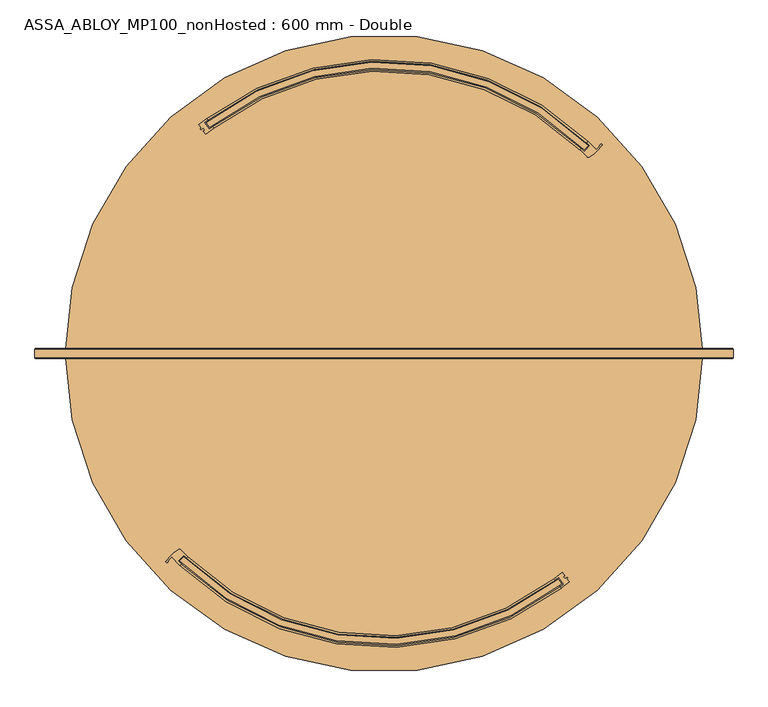
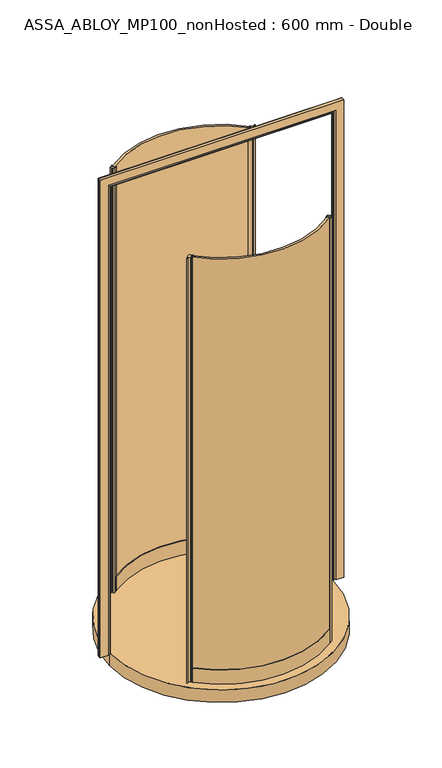
"""IFC4 building model written with IfcOpenShell, lengths in millimetres: door geometry, ASSA_ABLOY_MP100_nonHosted : 600 mm - Double."""

from ifc_helpers import new_model, si_unit, point, frame, origin, origin_with_axes, origin_2d, place, context, project, spatial, polyline, circle_curve, ellipse_curve, trimmed, segment, composite_curve, outline, extrude, source, transform, mapped, element, save
from ifc_brep_helpers import plane_surface, cylinder_surface, revolved_surface, advanced_brep


def assa_abloy_mp100_nonhosted_600_mm_double_d26ca808(model_context):
    return source(origin(), model_context, "Body", "SolidModel", [
        extrude(outline(composite_curve([segment(trimmed(circle_curve(origin_2d(), 488.5), [point((-342.4730748, -348.3452929))], [point((298.3837235, -386.7808211))], True, "CARTESIAN"), True, "CONTINUOUS"), segment(polyline([(298.3837235, -386.7808211), (304.413428, -394.7590592)]), True, "CONTINUOUS"), segment(trimmed(circle_curve(origin_2d(), 498.5), [point((304.413428, -394.7590592))], [point((-349.4107835, -355.5479635))], False, "CARTESIAN"), True, "CONTINUOUS"), segment(polyline([(-349.4107835, -355.5479635), (-342.4730748, -348.3452929)]), True, "CONTINUOUS")], self_intersect=False)), origin_with_axes(), (0.0, 0.0, 1.0), 2200.0),
        extrude(outline(composite_curve([segment(polyline([(304.904292, -375.240753), (309.0151728, -380.6800885), (307.0207092, -382.1874421), (309.1310043, -384.9796912), (313.7166643, -383.1194323), (314.3848915, -384.0036009), (312.9333684, -385.8644715), (316.9702852, -391.2059411)]), True, "CONTINUOUS"), segment(trimmed(circle_curve(origin_2d(), 503.5), [point((316.9702852, -391.2059411))], [point((303.5810209, -401.6849683))], False, "CARTESIAN"), True, "CONTINUOUS"), segment(polyline([(303.5810209, -401.6849683), (301.7721965, -399.291612)]), True, "CONTINUOUS"), segment(trimmed(circle_curve(origin_2d(), 500.5), [point((301.7721965, -399.291612))], [point((307.3271785, -395.0319675))], True, "CARTESIAN"), True, "CONTINUOUS"), segment(polyline([(307.3271785, -395.0319675), (298.8851487, -383.8618474)]), True, "CONTINUOUS"), segment(trimmed(circle_curve(origin_2d(), 486.5), [point((298.8851487, -383.8618474))], [point((293.3097732, -388.1386697))], False, "CARTESIAN"), True, "CONTINUOUS"), segment(polyline([(293.3097732, -388.1386697), (291.5221918, -385.7292595)]), True, "CONTINUOUS"), segment(trimmed(circle_curve(origin_2d(), 483.5), [point((291.5221918, -385.7292595))], [point((304.904292, -375.240753))], True, "CARTESIAN"), True, "CONTINUOUS")], self_intersect=False)), origin_with_axes(), (0.0, 0.0, 1.0), 2200.0),
        advanced_brep(
        [(-342.5060979, -345.5018646, 0.0), (-352.2074309, -355.5978376, 0.0), (-347.1960228, -360.4854227, 0.0), (-349.2746437, -362.6485998, 0.0), (-363.1208867, -348.782437, 0.0), (-370.2858249, -357.4743849, 0.0), (-372.8573749, -356.1584272, 0.0), (-350.9902422, -335.872331, 0.0), (-347.3082378, -336.3709579, 0.0), (-335.4171707, -348.2274195, 0.0), (-337.4957917, -350.3905965, 0.0), (-342.5060979, -345.5018646, 2200.0), (-337.4957917, -350.3905965, 2200.0), (-335.4171707, -348.2274195, 2200.0), (-347.3082378, -336.3709579, 2200.0), (-350.9902422, -335.872331, 2200.0), (-372.8573749, -356.1584272, 2200.0), (-370.2996309, -357.4671714, 2200.0), (-363.1208867, -348.782437, 2200.0), (-349.2746437, -362.6485998, 2200.0), (-347.1960228, -360.4854227, 2200.0), (-352.2074309, -355.5978376, 2200.0)],
        [
            (0, 1),
            (1, 2, circle_curve(frame((-20.5060967, -20.5060967, 0.0), z_axis=(0.0, 0.0, 1.0), x_axis=(-0.707106781186553, 0.7071067811865419, 0.0)), 471.5)),
            (2, 3),
            (3, 4, circle_curve(frame((-20.5060967, -20.5060967, 0.0), z_axis=(0.0, 0.0, -1.0), x_axis=(-0.707106781186553, 0.7071067811865419, 0.0)), 474.5)),
            (4, 5, circle_curve(frame((-346.1026691, -370.1099496, 0.0), z_axis=(0.0, 0.0, 1.0), x_axis=(-0.707106781186553, 0.7071067811865419, 0.0)), 27.285207)),
            (5, 6, circle_curve(frame((-371.5729186, -356.8018856, 0.0), z_axis=(0.0, 0.0, -1.0), x_axis=(-0.707106781186553, 0.7071067811865419, 0.0)), 1.4366164)),
            (6, 7, circle_curve(frame((-315.40937, -396.1550112, 0.0), z_axis=(0.0, 0.0, -1.0), x_axis=(-0.707106781186553, 0.7071067811865419, 0.0)), 70.0)),
            (7, 8, circle_curve(frame((-349.4653476, -338.4558744, 0.0), z_axis=(0.0, 0.0, -1.0), x_axis=(-0.707106781186553, 0.7071067811865419, 0.0)), 3.0)),
            (8, 9, circle_curve(frame((-20.5060967, -20.5060967, 0.0), z_axis=(0.0, 0.0, 1.0), x_axis=(-0.707106781186553, 0.7071067811865419, 0.0)), 454.5)),
            (9, 10),
            (10, 0, circle_curve(frame((-20.5060967, -20.5060967, 0.0), z_axis=(0.0, 0.0, -1.0), x_axis=(-0.707106781186553, 0.7071067811865419, 0.0)), 457.5)),
            (11, 12, circle_curve(frame((-20.5060967, -20.5060967, 2200.0), z_axis=(0.0, 0.0, 1.0), x_axis=(-0.707106781186553, 0.7071067811865419, 0.0)), 457.5)),
            (12, 13),
            (13, 14, circle_curve(frame((-20.5060967, -20.5060967, 2200.0), z_axis=(0.0, 0.0, -1.0), x_axis=(-0.707106781186553, 0.7071067811865419, 0.0)), 454.5)),
            (14, 15, circle_curve(frame((-349.4653476, -338.4558744, 2200.0), z_axis=(0.0, 0.0, 1.0), x_axis=(-0.707106781186553, 0.7071067811865419, 0.0)), 3.0)),
            (15, 16, circle_curve(frame((-315.40937, -396.1550112, 2200.0), z_axis=(0.0, 0.0, 1.0), x_axis=(-0.707106781186553, 0.7071067811865419, 0.0)), 70.0)),
            (16, 17, circle_curve(frame((-371.5729186, -356.8018856, 2200.0), z_axis=(0.0, 0.0, 1.0), x_axis=(-0.707106781186553, 0.7071067811865419, 0.0)), 1.4366164)),
            (17, 18, circle_curve(frame((-346.1026691, -370.1099496, 2200.0), z_axis=(0.0, 0.0, -1.0), x_axis=(-0.707106781186553, 0.7071067811865419, 0.0)), 27.285207)),
            (18, 19, circle_curve(frame((-20.5060967, -20.5060967, 2200.0), z_axis=(0.0, 0.0, 1.0), x_axis=(-0.707106781186553, 0.7071067811865419, 0.0)), 474.5)),
            (19, 20),
            (20, 21, circle_curve(frame((-20.5060967, -20.5060967, 2200.0), z_axis=(0.0, 0.0, -1.0), x_axis=(-0.707106781186553, 0.7071067811865419, 0.0)), 471.5)),
            (21, 11),
            (0, 11),
            (21, 1),
            (20, 2),
            (19, 3),
            (18, 4),
            (8, 14),
            (13, 9),
            (12, 10),
            (17, 5),
            (16, 6),
            (15, 7),
        ],
        [
            plane_surface(frame((-341.8861287, -341.8861287, 0.0), z_axis=(0.0, 0.0, -1.0), x_axis=(-0.707106781186542, -0.7071067811865531, 0.0))),
            plane_surface(frame((-341.8861287, -341.8861287, 2200.0), z_axis=(0.0, 0.0, 1.0), x_axis=(-0.707106781186542, -0.7071067811865531, 0.0))),
            plane_surface(frame((-342.5060979, -345.5018646, 0.0), z_axis=(0.7210590160944299, -0.6928736503208451, 0.0), x_axis=(0.0, 0.0, 1.0))),
            revolved_surface(polyline([(-353.90694402945974, 312.8947506294545, 2200.0), (-353.90694402945974, 312.8947506294545, 0.0)]), (-20.5060967, -20.5060967, 0.0), (0.0, 0.0, 1.0)),
            plane_surface(frame((-347.1960228, -360.4854227, 0.0), z_axis=(0.7210590160945622, -0.6928736503207074, 0.0), x_axis=(0.0, 0.0, 1.0))),
            cylinder_surface(frame((-20.5060967, -20.5060967, 0.0), z_axis=(0.0, 0.0, -1.0), x_axis=(-0.707106781186553, 0.7071067811865419, 0.0)), 474.5),
            revolved_surface(polyline([(-341.88612874928833, 300.8739353492833, 2200.0), (-341.88612874928833, 300.8739353492833, 0.0)]), (-20.5060967, -20.5060967, 0.0), (0.0, 0.0, 1.0)),
            plane_surface(frame((-335.4171707, -348.2274195, 0.0), z_axis=(0.721059016094641, -0.6928736503206255, 0.0), x_axis=(0.0, 0.0, 1.0))),
            cylinder_surface(frame((-20.5060967, -20.5060967, 0.0), z_axis=(0.0, 0.0, -1.0), x_axis=(-0.707106781186553, 0.7071067811865419, 0.0)), 457.5),
            revolved_surface(polyline([(-365.3962239957788, -350.81639470422147, 2200.0), (-365.3962239957788, -350.81639470422147, 0.0)]), (-346.1026691, -370.1099496, 0.0), (0.0, 0.0, 1.0)),
            cylinder_surface(frame((-371.5729186, -356.8018856, 0.0), z_axis=(0.0, 0.0, -1.0), x_axis=(-0.707106781186553, 0.7071067811865419, 0.0)), 1.4366164),
            cylinder_surface(frame((-315.40937, -396.1550112, 0.0), z_axis=(0.0, 0.0, -1.0), x_axis=(-0.707106781186553, 0.7071067811865419, 0.0)), 70.0),
            cylinder_surface(frame((-349.4653476, -338.4558744, 0.0), z_axis=(0.0, 0.0, -1.0), x_axis=(-0.707106781186553, 0.7071067811865419, 0.0)), 3.0),
        ],
        [
            (0, [[1, 2, 3, 4, 5, 6, 7, 8, 9, 10, 11]]),
            (1, [[12, 13, 14, 15, 16, 17, 18, 19, 20, 21, 22]]),
            (2, [[-1, 23, -22, 24]]),
            (3, [[-2, -24, -21, 25]]),
            (4, [[-3, -25, -20, 26]]),
            (5, [[-4, -26, -19, 27]]),
            (6, [[-9, 28, -14, 29]]),
            (7, [[-10, -29, -13, 30]]),
            (8, [[-11, -30, -12, -23]]),
            (9, [[-5, -27, -18, 31]]),
            (10, [[-6, -31, -17, 32]]),
            (11, [[-7, -32, -16, 33]]),
            (12, [[-8, -33, -15, -28]]),
        ],
    ),
        advanced_brep(
        [(-335.4210001, -348.2312489, 73.0), (-335.4210001, -348.2312489, 0.0), (-337.5022059, -350.3919391, 0.0), (-337.5022059, -350.3919391, 24.0), (-347.2144996, -360.4751604, 24.0), (-347.2144996, -360.4751604, 0.0), (-349.2957054, -362.6358507, 0.0), (-349.2957054, -362.6358507, 73.0), (-347.2144996, -360.4751604, 73.0), (-347.2144996, -360.4751604, 39.0), (-337.5022059, -350.3919391, 39.0), (-337.5022059, -350.3919391, 73.0), (291.5221918, -385.7292595, 73.0), (293.3310162, -388.1226159, 73.0), (293.3310162, -388.1226159, 39.0), (301.7721965, -399.291612, 39.0), (301.7721965, -399.291612, 73.0), (303.5810209, -401.6849683, 73.0), (303.5810209, -401.6849683, 0.0), (301.7721965, -399.291612, 0.0), (301.7721965, -399.291612, 24.0), (293.3310162, -388.1226159, 24.0), (293.3310162, -388.1226159, 0.0), (291.5221918, -385.7292595, 0.0)],
        [
            (0, 1),
            (1, 2),
            (2, 3),
            (3, 4),
            (4, 5),
            (5, 6),
            (6, 7),
            (7, 8),
            (8, 9),
            (9, 10),
            (10, 11),
            (11, 0),
            (12, 13),
            (13, 14),
            (14, 15),
            (15, 16),
            (16, 17),
            (17, 18),
            (18, 19),
            (19, 20),
            (20, 21),
            (21, 22),
            (22, 23),
            (23, 12),
            (23, 1, circle_curve(frame((0.0, 0.0, 0.0), z_axis=(0.0, 0.0, -1.0), x_axis=(-0.6937352639397908, -0.7202300907115649, 0.0)), 483.5)),
            (0, 12, circle_curve(frame((0.0, 0.0, 73.0), z_axis=(0.0, 0.0, 1.0), x_axis=(-0.6937352639397908, -0.7202300907115649, 0.0)), 483.5)),
            (22, 2, circle_curve(frame((0.0, 0.0, 0.0), z_axis=(0.0, 0.0, -1.0), x_axis=(-0.6937352639397908, -0.7202300907115649, 0.0)), 486.5)),
            (21, 3, circle_curve(frame((0.0, 0.0, 24.0), z_axis=(0.0, 0.0, -1.0), x_axis=(-0.6937352639397908, -0.7202300907115649, 0.0)), 486.5)),
            (20, 4, circle_curve(frame((0.0, 0.0, 24.0), z_axis=(0.0, 0.0, -1.0), x_axis=(-0.6937352639397908, -0.7202300907115649, 0.0)), 500.5)),
            (19, 5, circle_curve(frame((0.0, 0.0, 0.0), z_axis=(0.0, 0.0, -1.0), x_axis=(-0.6937352639397908, -0.7202300907115649, 0.0)), 500.5)),
            (18, 6, circle_curve(frame((0.0, 0.0, 0.0), z_axis=(0.0, 0.0, -1.0), x_axis=(-0.6937352639397908, -0.7202300907115649, 0.0)), 503.5)),
            (17, 7, circle_curve(frame((0.0, 0.0, 73.0), z_axis=(0.0, 0.0, -1.0), x_axis=(-0.6937352639397908, -0.7202300907115649, 0.0)), 503.5)),
            (16, 8, circle_curve(frame((0.0, 0.0, 73.0), z_axis=(0.0, 0.0, -1.0), x_axis=(-0.6937352639397908, -0.7202300907115649, 0.0)), 500.5)),
            (15, 9, circle_curve(frame((0.0, 0.0, 39.0), z_axis=(0.0, 0.0, -1.0), x_axis=(-0.6937352639397908, -0.7202300907115649, 0.0)), 500.5)),
            (14, 10, circle_curve(frame((0.0, 0.0, 39.0), z_axis=(0.0, 0.0, -1.0), x_axis=(-0.6937352639397908, -0.7202300907115649, 0.0)), 486.5)),
            (13, 11, circle_curve(frame((0.0, 0.0, 73.0), z_axis=(0.0, 0.0, -1.0), x_axis=(-0.6937352639397908, -0.7202300907115649, 0.0)), 486.5)),
        ],
        [
            plane_surface(frame((-335.4210001, -348.2312489, 0.0), z_axis=(-0.7202300907115647, 0.6937352639397908, 0.0), x_axis=(0.0, 0.0, 1.0))),
            plane_surface(frame((291.5221918, -385.7292595, 0.0), z_axis=(0.797785438564522, 0.602941451564257, 0.0), x_axis=(0.0, 0.0, 1.0))),
            revolved_surface(polyline([(-335.42100011488884, -348.2312488590416, 73.00000000000003), (-335.42100011488884, -348.2312488590416, 0.0)]), (0.0, 0.0, 0.0), (0.0, 0.0, 1.0000000000000002)),
            plane_surface(frame((0.0, 0.0, 0.0), z_axis=(0.0, 0.0, -1.0), x_axis=(-0.6937352639397908, -0.7202300907115649, 0.0))),
            cylinder_surface(frame((0.0, 0.0, 0.0), z_axis=(0.0, 0.0, 1.0000000000000002), x_axis=(-0.6937352639397908, -0.7202300907115649, 0.0)), 486.5),
            plane_surface(frame((0.0, 0.0, 24.0), z_axis=(0.0, 0.0, -1.0), x_axis=(-0.6937352639397908, -0.7202300907115649, 0.0))),
            revolved_surface(polyline([(-347.21449960186527, -360.4751604011382, 24.000000000000014), (-347.21449960186527, -360.4751604011382, 0.0)]), (0.0, 0.0, 0.0), (0.0, 0.0, 1.0000000000000002)),
            cylinder_surface(frame((0.0, 0.0, 0.0), z_axis=(0.0, 0.0, 1.0000000000000002), x_axis=(-0.6937352639397908, -0.7202300907115649, 0.0)), 503.5),
            plane_surface(frame((0.0, 0.0, 73.0), z_axis=(0.0, 0.0, 1.0), x_axis=(-0.6937352639397908, -0.7202300907115649, 0.0))),
            revolved_surface(polyline([(-347.21449960186527, -360.4751604011382, 73.00000000000003), (-347.21449960186527, -360.4751604011382, 39.000000000000014)]), (0.0, 0.0, 0.0), (0.0, 0.0, 1.0000000000000002)),
            plane_surface(frame((0.0, 0.0, 39.0), z_axis=(0.0, 0.0, 1.0), x_axis=(-0.6937352639397908, -0.7202300907115649, 0.0))),
        ],
        [
            (0, [[1, 2, 3, 4, 5, 6, 7, 8, 9, 10, 11, 12]]),
            (1, [[13, 14, 15, 16, 17, 18, 19, 20, 21, 22, 23, 24]]),
            (2, [[25, -1, 26, -24]]),
            (3, [[27, -2, -25, -23]]),
            (4, [[28, -3, -27, -22]]),
            (5, [[29, -4, -28, -21]]),
            (6, [[30, -5, -29, -20]]),
            (3, [[31, -6, -30, -19]]),
            (7, [[32, -7, -31, -18]]),
            (8, [[33, -8, -32, -17]]),
            (9, [[34, -9, -33, -16]]),
            (10, [[35, -10, -34, -15]]),
            (4, [[36, -11, -35, -14]]),
            (8, [[-26, -12, -36, -13]]),
        ],
    ),
        extrude(outline(composite_curve([segment(trimmed(circle_curve(origin_2d(), 488.5), [point((342.4730748, 348.3452929))], [point((-298.3837235, 386.7808211))], True, "CARTESIAN"), True, "CONTINUOUS"), segment(polyline([(-298.3837235, 386.7808211), (-304.413428, 394.7590592)]), True, "CONTINUOUS"), segment(trimmed(circle_curve(origin_2d(), 498.5), [point((-304.413428, 394.7590592))], [point((349.4107835, 355.5479635))], False, "CARTESIAN"), True, "CONTINUOUS"), segment(polyline([(349.4107835, 355.5479635), (342.4730748, 348.3452929)]), True, "CONTINUOUS")], self_intersect=False)), origin_with_axes(), (0.0, 0.0, 1.0), 2200.0),
        extrude(outline(composite_curve([segment(polyline([(-304.904292, 375.240753), (-309.0151728, 380.6800885), (-307.0207092, 382.1874421), (-309.1310043, 384.9796912), (-313.7166643, 383.1194323), (-314.3848915, 384.0036009), (-312.9333684, 385.8644715), (-316.9702852, 391.2059411)]), True, "CONTINUOUS"), segment(trimmed(circle_curve(origin_2d(), 503.5), [point((-316.9702852, 391.2059411))], [point((-303.5810209, 401.6849683))], False, "CARTESIAN"), True, "CONTINUOUS"), segment(polyline([(-303.5810209, 401.6849683), (-301.7721965, 399.291612)]), True, "CONTINUOUS"), segment(trimmed(circle_curve(origin_2d(), 500.5), [point((-301.7721965, 399.291612))], [point((-307.3271785, 395.0319675))], True, "CARTESIAN"), True, "CONTINUOUS"), segment(polyline([(-307.3271785, 395.0319675), (-298.8851487, 383.8618474)]), True, "CONTINUOUS"), segment(trimmed(circle_curve(origin_2d(), 486.5), [point((-298.8851487, 383.8618474))], [point((-293.3097732, 388.1386697))], False, "CARTESIAN"), True, "CONTINUOUS"), segment(polyline([(-293.3097732, 388.1386697), (-291.5221918, 385.7292595)]), True, "CONTINUOUS"), segment(trimmed(circle_curve(origin_2d(), 483.5), [point((-291.5221918, 385.7292595))], [point((-304.904292, 375.240753))], True, "CARTESIAN"), True, "CONTINUOUS")], self_intersect=False)), origin_with_axes(), (0.0, 0.0, 1.0), 2200.0),
        advanced_brep(
        [(342.5060979, 345.5018646, 0.0), (352.2074309, 355.5978376, 0.0), (347.1960228, 360.4854227, 0.0), (349.2746437, 362.6485998, 0.0), (363.1208867, 348.782437, 0.0), (370.2858249, 357.4743849, 0.0), (372.8573749, 356.1584272, 0.0), (350.9902422, 335.872331, 0.0), (347.3082378, 336.3709579, 0.0), (335.4171707, 348.2274195, 0.0), (337.4957917, 350.3905965, 0.0), (342.5060979, 345.5018646, 2200.0), (337.4957917, 350.3905965, 2200.0), (335.4171707, 348.2274195, 2200.0), (347.3082378, 336.3709579, 2200.0), (350.9902422, 335.872331, 2200.0), (372.8573749, 356.1584272, 2200.0), (370.2996309, 357.4671714, 2200.0), (363.1208867, 348.782437, 2200.0), (349.2746437, 362.6485998, 2200.0), (347.1960228, 360.4854227, 2200.0), (352.2074309, 355.5978376, 2200.0)],
        [
            (0, 1),
            (1, 2, circle_curve(frame((20.5060967, 20.5060967, 0.0), z_axis=(0.0, 0.0, 1.0), x_axis=(0.7071067811865529, -0.7071067811865411, 0.0)), 471.5)),
            (2, 3),
            (3, 4, circle_curve(frame((20.5060967, 20.5060967, 0.0), z_axis=(0.0, 0.0, -1.0), x_axis=(0.7071067811865529, -0.7071067811865411, 0.0)), 474.5)),
            (4, 5, circle_curve(frame((346.1026691, 370.1099496, 0.0), z_axis=(0.0, 0.0, 1.0), x_axis=(0.7071067811865529, -0.7071067811865411, 0.0)), 27.285207)),
            (5, 6, circle_curve(frame((371.5729186, 356.8018856, 0.0), z_axis=(0.0, 0.0, -1.0), x_axis=(0.7071067811865529, -0.7071067811865411, 0.0)), 1.4366164)),
            (6, 7, circle_curve(frame((315.40937, 396.1550112, 0.0), z_axis=(0.0, 0.0, -1.0), x_axis=(0.7071067811865529, -0.7071067811865411, 0.0)), 70.0)),
            (7, 8, circle_curve(frame((349.4653476, 338.4558744, 0.0), z_axis=(0.0, 0.0, -1.0), x_axis=(0.7071067811865529, -0.7071067811865411, 0.0)), 3.0)),
            (8, 9, circle_curve(frame((20.5060967, 20.5060967, 0.0), z_axis=(0.0, 0.0, 1.0), x_axis=(0.7071067811865529, -0.7071067811865411, 0.0)), 454.5)),
            (9, 10),
            (10, 0, circle_curve(frame((20.5060967, 20.5060967, 0.0), z_axis=(0.0, 0.0, -1.0), x_axis=(0.7071067811865529, -0.7071067811865411, 0.0)), 457.5)),
            (11, 12, circle_curve(frame((20.5060967, 20.5060967, 2200.0), z_axis=(0.0, 0.0, 1.0), x_axis=(0.7071067811865529, -0.7071067811865411, 0.0)), 457.5)),
            (12, 13),
            (13, 14, circle_curve(frame((20.5060967, 20.5060967, 2200.0), z_axis=(0.0, 0.0, -1.0), x_axis=(0.7071067811865529, -0.7071067811865411, 0.0)), 454.5)),
            (14, 15, circle_curve(frame((349.4653476, 338.4558744, 2200.0), z_axis=(0.0, 0.0, 1.0), x_axis=(0.7071067811865529, -0.7071067811865411, 0.0)), 3.0)),
            (15, 16, circle_curve(frame((315.40937, 396.1550112, 2200.0), z_axis=(0.0, 0.0, 1.0), x_axis=(0.7071067811865529, -0.7071067811865411, 0.0)), 70.0)),
            (16, 17, circle_curve(frame((371.5729186, 356.8018856, 2200.0), z_axis=(0.0, 0.0, 1.0), x_axis=(0.7071067811865529, -0.7071067811865411, 0.0)), 1.4366164)),
            (17, 18, circle_curve(frame((346.1026691, 370.1099496, 2200.0), z_axis=(0.0, 0.0, -1.0), x_axis=(0.7071067811865529, -0.7071067811865411, 0.0)), 27.285207)),
            (18, 19, circle_curve(frame((20.5060967, 20.5060967, 2200.0), z_axis=(0.0, 0.0, 1.0), x_axis=(0.7071067811865529, -0.7071067811865411, 0.0)), 474.5)),
            (19, 20),
            (20, 21, circle_curve(frame((20.5060967, 20.5060967, 2200.0), z_axis=(0.0, 0.0, -1.0), x_axis=(0.7071067811865529, -0.7071067811865411, 0.0)), 471.5)),
            (21, 11),
            (0, 11),
            (21, 1),
            (20, 2),
            (19, 3),
            (18, 4),
            (8, 14),
            (13, 9),
            (12, 10),
            (17, 5),
            (16, 6),
            (15, 7),
        ],
        [
            plane_surface(frame((341.8861287, 341.8861287, 0.0), z_axis=(0.0, 0.0, -1.0000000000000002), x_axis=(0.7071067811865417, 0.7071067811865535, 0.0))),
            plane_surface(frame((341.8861287, 341.8861287, 2200.0), z_axis=(0.0, 0.0, 1.0000000000000002), x_axis=(0.7071067811865417, 0.7071067811865535, 0.0))),
            plane_surface(frame((342.5060979, 345.5018646, 0.0), z_axis=(-0.7210590160944301, 0.6928736503208448, 0.0), x_axis=(0.0, 0.0, 1.0))),
            revolved_surface(polyline([(353.9069440294597, -312.89475062945417, 2200.0), (353.9069440294597, -312.89475062945417, 0.0)]), (20.5060967, 20.5060967, 0.0), (0.0, 0.0, 1.0)),
            plane_surface(frame((347.1960228, 360.4854227, 0.0), z_axis=(-0.7210590160945626, 0.692873650320707, 0.0), x_axis=(0.0, 0.0, 1.0))),
            cylinder_surface(frame((20.5060967, 20.5060967, 0.0), z_axis=(0.0, 0.0, -1.0), x_axis=(0.7071067811865529, -0.7071067811865411, 0.0)), 474.5),
            revolved_surface(polyline([(341.8861287492883, -300.87393534928293, 2200.0), (341.8861287492883, -300.87393534928293, 0.0)]), (20.5060967, 20.5060967, 0.0), (0.0, 0.0, 1.0)),
            plane_surface(frame((335.4171707, 348.2274195, 0.0), z_axis=(-0.7210590160946412, 0.6928736503206251, 0.0), x_axis=(0.0, 0.0, 1.0))),
            cylinder_surface(frame((20.5060967, 20.5060967, 0.0), z_axis=(0.0, 0.0, -1.0), x_axis=(0.7071067811865529, -0.7071067811865411, 0.0)), 457.5),
            revolved_surface(polyline([(365.3962239957788, 350.8163947042215, 2200.0), (365.3962239957788, 350.8163947042215, 0.0)]), (346.1026691, 370.1099496, 0.0), (0.0, 0.0, 1.0)),
            cylinder_surface(frame((371.5729186, 356.8018856, 0.0), z_axis=(0.0, 0.0, -1.0), x_axis=(0.7071067811865529, -0.7071067811865411, 0.0)), 1.4366164),
            cylinder_surface(frame((315.40937, 396.1550112, 0.0), z_axis=(0.0, 0.0, -1.0), x_axis=(0.7071067811865529, -0.7071067811865411, 0.0)), 70.0),
            cylinder_surface(frame((349.4653476, 338.4558744, 0.0), z_axis=(0.0, 0.0, -1.0), x_axis=(0.7071067811865529, -0.7071067811865411, 0.0)), 3.0),
        ],
        [
            (0, [[1, 2, 3, 4, 5, 6, 7, 8, 9, 10, 11]]),
            (1, [[12, 13, 14, 15, 16, 17, 18, 19, 20, 21, 22]]),
            (2, [[-1, 23, -22, 24]]),
            (3, [[-2, -24, -21, 25]]),
            (4, [[-3, -25, -20, 26]]),
            (5, [[-4, -26, -19, 27]]),
            (6, [[-9, 28, -14, 29]]),
            (7, [[-10, -29, -13, 30]]),
            (8, [[-11, -30, -12, -23]]),
            (9, [[-5, -27, -18, 31]]),
            (10, [[-6, -31, -17, 32]]),
            (11, [[-7, -32, -16, 33]]),
            (12, [[-8, -33, -15, -28]]),
        ],
    ),
        advanced_brep(
        [(335.4210001, 348.2312489, 73.0), (335.4210001, 348.2312489, 0.0), (337.5022059, 350.3919391, 0.0), (337.5022059, 350.3919391, 24.0), (347.2144996, 360.4751604, 24.0), (347.2144996, 360.4751604, 0.0), (349.2957054, 362.6358507, 0.0), (349.2957054, 362.6358507, 73.0), (347.2144996, 360.4751604, 73.0), (347.2144996, 360.4751604, 39.0), (337.5022059, 350.3919391, 39.0), (337.5022059, 350.3919391, 73.0), (-291.5221918, 385.7292595, 73.0), (-293.3310162, 388.1226159, 73.0), (-293.3310162, 388.1226159, 39.0), (-301.7721965, 399.291612, 39.0), (-301.7721965, 399.291612, 73.0), (-303.5810209, 401.6849683, 73.0), (-303.5810209, 401.6849683, 0.0), (-301.7721965, 399.291612, 0.0), (-301.7721965, 399.291612, 24.0), (-293.3310162, 388.1226159, 24.0), (-293.3310162, 388.1226159, 0.0), (-291.5221918, 385.7292595, 0.0)],
        [
            (0, 1),
            (1, 2),
            (2, 3),
            (3, 4),
            (4, 5),
            (5, 6),
            (6, 7),
            (7, 8),
            (8, 9),
            (9, 10),
            (10, 11),
            (11, 0),
            (12, 13),
            (13, 14),
            (14, 15),
            (15, 16),
            (16, 17),
            (17, 18),
            (18, 19),
            (19, 20),
            (20, 21),
            (21, 22),
            (22, 23),
            (23, 12),
            (23, 1, circle_curve(frame((0.0, 0.0, 0.0), z_axis=(0.0, 0.0, -1.0), x_axis=(0.69373526393979, 0.7202300907115646, 0.0)), 483.5)),
            (0, 12, circle_curve(frame((0.0, 0.0, 73.0), z_axis=(0.0, 0.0, 1.0), x_axis=(0.69373526393979, 0.7202300907115646, 0.0)), 483.5)),
            (22, 2, circle_curve(frame((0.0, 0.0, 0.0), z_axis=(0.0, 0.0, -1.0), x_axis=(0.69373526393979, 0.7202300907115646, 0.0)), 486.5)),
            (21, 3, circle_curve(frame((0.0, 0.0, 24.0), z_axis=(0.0, 0.0, -1.0), x_axis=(0.69373526393979, 0.7202300907115646, 0.0)), 486.5)),
            (20, 4, circle_curve(frame((0.0, 0.0, 24.0), z_axis=(0.0, 0.0, -1.0), x_axis=(0.69373526393979, 0.7202300907115646, 0.0)), 500.5)),
            (19, 5, circle_curve(frame((0.0, 0.0, 0.0), z_axis=(0.0, 0.0, -1.0), x_axis=(0.69373526393979, 0.7202300907115646, 0.0)), 500.5)),
            (18, 6, circle_curve(frame((0.0, 0.0, 0.0), z_axis=(0.0, 0.0, -1.0), x_axis=(0.69373526393979, 0.7202300907115646, 0.0)), 503.5)),
            (17, 7, circle_curve(frame((0.0, 0.0, 73.0), z_axis=(0.0, 0.0, -1.0), x_axis=(0.69373526393979, 0.7202300907115646, 0.0)), 503.5)),
            (16, 8, circle_curve(frame((0.0, 0.0, 73.0), z_axis=(0.0, 0.0, -1.0), x_axis=(0.69373526393979, 0.7202300907115646, 0.0)), 500.5)),
            (15, 9, circle_curve(frame((0.0, 0.0, 39.0), z_axis=(0.0, 0.0, -1.0), x_axis=(0.69373526393979, 0.7202300907115646, 0.0)), 500.5)),
            (14, 10, circle_curve(frame((0.0, 0.0, 39.0), z_axis=(0.0, 0.0, -1.0), x_axis=(0.69373526393979, 0.7202300907115646, 0.0)), 486.5)),
            (13, 11, circle_curve(frame((0.0, 0.0, 73.0), z_axis=(0.0, 0.0, -1.0), x_axis=(0.69373526393979, 0.7202300907115646, 0.0)), 486.5)),
        ],
        [
            plane_surface(frame((335.4210001, 348.2312489, 0.0), z_axis=(0.7202300907115651, -0.6937352639397905, 0.0), x_axis=(0.0, 0.0, 1.0))),
            plane_surface(frame((-291.5221918, 385.7292595, 0.0), z_axis=(-0.7977854385645217, -0.6029414515642575, 0.0), x_axis=(0.0, 0.0, 1.0))),
            revolved_surface(polyline([(335.4210001148885, 348.2312488590415, 73.00000000000003), (335.4210001148885, 348.2312488590415, 0.0)]), (0.0, 0.0, 0.0), (0.0, 0.0, 1.0000000000000002)),
            plane_surface(frame((0.0, 0.0, 0.0), z_axis=(0.0, 0.0, -1.0), x_axis=(0.6937352639397905, 0.7202300907115651, 0.0))),
            cylinder_surface(frame((0.0, 0.0, 0.0), z_axis=(0.0, 0.0, 1.0000000000000002), x_axis=(0.69373526393979, 0.7202300907115646, 0.0)), 486.5),
            plane_surface(frame((0.0, 0.0, 24.0), z_axis=(0.0, 0.0, -1.0), x_axis=(0.6937352639397905, 0.7202300907115651, 0.0))),
            revolved_surface(polyline([(347.21449960186493, 360.4751604011381, 24.000000000000014), (347.21449960186493, 360.4751604011381, 0.0)]), (0.0, 0.0, 0.0), (0.0, 0.0, 1.0000000000000002)),
            cylinder_surface(frame((0.0, 0.0, 0.0), z_axis=(0.0, 0.0, 1.0000000000000002), x_axis=(0.69373526393979, 0.7202300907115646, 0.0)), 503.5),
            plane_surface(frame((0.0, 0.0, 73.0), z_axis=(0.0, 0.0, 1.0), x_axis=(0.6937352639397905, 0.7202300907115651, 0.0))),
            revolved_surface(polyline([(347.21449960186493, 360.4751604011381, 73.00000000000003), (347.21449960186493, 360.4751604011381, 39.000000000000014)]), (0.0, 0.0, 0.0), (0.0, 0.0, 1.0000000000000002)),
            plane_surface(frame((0.0, 0.0, 39.0), z_axis=(0.0, 0.0, 1.0), x_axis=(0.6937352639397905, 0.7202300907115651, 0.0))),
        ],
        [
            (0, [[1, 2, 3, 4, 5, 6, 7, 8, 9, 10, 11, 12]]),
            (1, [[13, 14, 15, 16, 17, 18, 19, 20, 21, 22, 23, 24]]),
            (2, [[25, -1, 26, -24]]),
            (3, [[27, -2, -25, -23]]),
            (4, [[28, -3, -27, -22]]),
            (5, [[29, -4, -28, -21]]),
            (6, [[30, -5, -29, -20]]),
            (3, [[31, -6, -30, -19]]),
            (7, [[32, -7, -31, -18]]),
            (8, [[33, -8, -32, -17]]),
            (9, [[34, -9, -33, -16]]),
            (10, [[35, -10, -34, -15]]),
            (4, [[36, -11, -35, -14]]),
            (8, [[-26, -12, -36, -13]]),
        ],
    ),
        extrude(outline(composite_curve([segment(trimmed(circle_curve(origin_2d(), 545.0), [point((-545.0, 0.0))], [point((545.0, 0.0))], False, "CARTESIAN"), True, "CONTINUOUS"), segment(trimmed(circle_curve(origin_2d(), 545.0), [point((545.0, 0.0))], [point((-545.0, 0.0))], False, "CARTESIAN"), True, "CONTINUOUS")], self_intersect=False)), frame((0.0, 0.0, -65.0), z_axis=(0.0, 0.0, 1.0), x_axis=(1.0, 0.0, 0.0)), (0.0, 0.0, 1.0), 65.0),
        advanced_brep(
        [(545.9, 6.0, 0.0), (548.1980762, 6.0, 0.0), (549.0980762, 5.1, 0.0), (549.0980762, -5.1, 0.0), (548.1980762, -6.0, 0.0), (545.9, -6.0, 0.0), (545.0, -5.1, 0.0), (545.0, 5.1, 0.0), (-545.9, 6.0, 0.0), (-545.0, 5.1, 0.0), (-545.0, -5.1, 0.0), (-545.9, -6.0, 0.0), (-548.1980762, -6.0, 0.0), (-549.0980762, -5.1, 0.0), (-549.0980762, 5.1, 0.0), (-548.1980762, 6.0, 0.0), (545.9, 6.0, 2421.8), (-545.9, 6.0, 2421.8), (-548.1980762, 6.0, 2424.0980762), (548.1980762, 6.0, 2424.0980762), (549.0980762, 5.1, 2424.9980762), (549.0980762, -5.1, 2424.9980762), (548.1980762, -6.0, 2424.0980762), (-548.1980762, -6.0, 2424.0980762), (-545.9, -6.0, 2421.8), (545.9, -6.0, 2421.8), (545.0, -5.1, 2420.9), (545.0, 5.1, 2420.9), (-549.0980762, 5.1, 2424.9980762), (-549.0980762, -5.1, 2424.9980762), (-545.0, -5.1, 2420.9), (-545.0, 5.1, 2420.9)],
        [
            (0, 1),
            (1, 2, circle_curve(frame((548.1980762, 5.1, 0.0), z_axis=(0.0, 0.0, -1.0), x_axis=(-1.0, 0.0, 0.0)), 0.9)),
            (2, 3),
            (3, 4, circle_curve(frame((548.1980762, -5.1, 0.0), z_axis=(0.0, 0.0, -1.0), x_axis=(-1.0, 0.0, 0.0)), 0.9)),
            (4, 5),
            (5, 6, circle_curve(frame((545.9, -5.1, 0.0), z_axis=(0.0, 0.0, -1.0), x_axis=(-1.0, 0.0, 0.0)), 0.9)),
            (6, 7),
            (7, 0, circle_curve(frame((545.9, 5.1, 0.0), z_axis=(0.0, 0.0, -1.0), x_axis=(-1.0, 0.0, 0.0)), 0.9)),
            (8, 9, circle_curve(frame((-545.9, 5.1, 0.0), z_axis=(0.0, 0.0, -1.0), x_axis=(1.0, 0.0, 0.0)), 0.9)),
            (9, 10),
            (10, 11, circle_curve(frame((-545.9, -5.1, 0.0), z_axis=(0.0, 0.0, -1.0), x_axis=(1.0, 0.0, 0.0)), 0.9)),
            (11, 12),
            (12, 13, circle_curve(frame((-548.1980762, -5.1, 0.0), z_axis=(0.0, 0.0, -1.0), x_axis=(1.0, 0.0, 0.0)), 0.9)),
            (13, 14),
            (14, 15, circle_curve(frame((-548.1980762, 5.1, 0.0), z_axis=(0.0, 0.0, -1.0), x_axis=(1.0, 0.0, 0.0)), 0.9)),
            (15, 8),
            (0, 16),
            (16, 17),
            (17, 8),
            (15, 18),
            (18, 19),
            (19, 1),
            (19, 20, ellipse_curve(frame((548.1980762, 5.1, 2424.0980762), z_axis=(0.7071067811865475, 0.0, -0.7071067811865475), x_axis=(-0.7071067811865474, 0.0, -0.7071067811865476)), 1.2727922, 0.9)),
            (20, 2),
            (20, 21),
            (21, 3),
            (21, 22, ellipse_curve(frame((548.1980762, -5.1, 2424.0980762), z_axis=(0.7071067811865475, 0.0, -0.7071067811865475), x_axis=(-0.7071067811865474, 0.0, -0.7071067811865476)), 1.2727922, 0.9)),
            (22, 4),
            (22, 23),
            (23, 12),
            (11, 24),
            (24, 25),
            (25, 5),
            (25, 26, ellipse_curve(frame((545.9, -5.1, 2421.8), z_axis=(0.7071067811865475, 0.0, -0.7071067811865475), x_axis=(-0.7071067811865474, 0.0, -0.7071067811865476)), 1.2727922, 0.9)),
            (26, 6),
            (26, 27),
            (27, 7),
            (27, 16, ellipse_curve(frame((545.9, 5.1, 2421.8), z_axis=(0.7071067811865475, 0.0, -0.7071067811865475), x_axis=(-0.7071067811865474, 0.0, -0.7071067811865476)), 1.2727922, 0.9)),
            (18, 28, ellipse_curve(frame((-548.1980762, 5.1, 2424.0980762), z_axis=(0.7071067811865475, 0.0, 0.7071067811865475), x_axis=(0.7071067811865476, 0.0, -0.7071067811865474)), 1.2727922, 0.9)),
            (28, 20),
            (28, 29),
            (29, 21),
            (29, 23, ellipse_curve(frame((-548.1980762, -5.1, 2424.0980762), z_axis=(0.7071067811865475, 0.0, 0.7071067811865475), x_axis=(0.7071067811865476, 0.0, -0.7071067811865474)), 1.2727922, 0.9)),
            (24, 30, ellipse_curve(frame((-545.9, -5.1, 2421.8), z_axis=(0.7071067811865475, 0.0, 0.7071067811865475), x_axis=(0.7071067811865476, 0.0, -0.7071067811865474)), 1.2727922, 0.9)),
            (30, 26),
            (30, 31),
            (31, 27),
            (31, 17, ellipse_curve(frame((-545.9, 5.1, 2421.8), z_axis=(0.7071067811865475, 0.0, 0.7071067811865475), x_axis=(0.7071067811865476, 0.0, -0.7071067811865474)), 1.2727922, 0.9)),
            (14, 28),
            (13, 29),
            (10, 30),
            (9, 31),
        ],
        [
            plane_surface(frame((549.1, 0.0, 0.0), z_axis=(0.0, 0.0, -1.0), x_axis=(0.0, -1.0, 0.0))),
            plane_surface(frame((-549.1, 0.0, 0.0), z_axis=(0.0, 0.0, -1.0), x_axis=(0.0, -1.0, 0.0))),
            plane_surface(frame((545.9, 6.0, 0.0), z_axis=(0.0, 1.0, 0.0), x_axis=(0.0, 0.0, 1.0))),
            cylinder_surface(frame((548.1980762, 5.1, 0.0), z_axis=(0.0, 0.0, -1.0), x_axis=(-1.0, 0.0, 0.0)), 0.9),
            plane_surface(frame((549.0980762, 5.1, 0.0), z_axis=(1.0, 0.0, 0.0), x_axis=(0.0, 0.0, 1.0))),
            cylinder_surface(frame((548.1980762, -5.1, 0.0), z_axis=(0.0, 0.0, -1.0), x_axis=(-1.0, 0.0, 0.0)), 0.9),
            plane_surface(frame((548.1980762, -6.0, 0.0), z_axis=(0.0, -1.0, 0.0), x_axis=(0.0, 0.0, 1.0))),
            cylinder_surface(frame((545.9, -5.1, 0.0), z_axis=(0.0, 0.0, -1.0), x_axis=(-1.0, 0.0, 0.0)), 0.9),
            plane_surface(frame((545.0, -5.1, 0.0), z_axis=(-1.0, 0.0, 0.0), x_axis=(0.0, 0.0, 1.0))),
            cylinder_surface(frame((545.9, 5.1, 0.0), z_axis=(0.0, 0.0, -1.0), x_axis=(-1.0, 0.0, 0.0)), 0.9),
            cylinder_surface(frame((549.1, 5.1, 2424.0980762), z_axis=(1.0, 0.0, 0.0), x_axis=(0.0, 0.0, -1.0)), 0.9),
            plane_surface(frame((549.0980762, 5.1, 2424.9980762), z_axis=(0.0, 0.0, 1.0), x_axis=(-1.0, 0.0, 0.0))),
            cylinder_surface(frame((549.1, -5.1, 2424.0980762), z_axis=(1.0, 0.0, 0.0), x_axis=(0.0, 0.0, -1.0)), 0.9),
            cylinder_surface(frame((549.1, -5.1, 2421.8), z_axis=(1.0, 0.0, 0.0), x_axis=(0.0, 0.0, -1.0)), 0.9),
            plane_surface(frame((545.0, -5.1, 2420.9), z_axis=(0.0, 0.0, -1.0), x_axis=(-1.0, 0.0, 0.0))),
            cylinder_surface(frame((549.1, 5.1, 2421.8), z_axis=(1.0, 0.0, 0.0), x_axis=(0.0, 0.0, -1.0)), 0.9),
            cylinder_surface(frame((-548.1980762, 5.1, 2425.0), z_axis=(0.0, 0.0, 1.0), x_axis=(1.0, 0.0, 0.0)), 0.9),
            plane_surface(frame((-549.0980762, 5.1, 2424.9980762), z_axis=(-1.0, 0.0, 0.0), x_axis=(0.0, 0.0, -1.0))),
            cylinder_surface(frame((-548.1980762, -5.1, 2425.0), z_axis=(0.0, 0.0, 1.0), x_axis=(1.0, 0.0, 0.0)), 0.9),
            cylinder_surface(frame((-545.9, -5.1, 2425.0), z_axis=(0.0, 0.0, 1.0), x_axis=(1.0, 0.0, 0.0)), 0.9),
            plane_surface(frame((-545.0, -5.1, 2420.9), z_axis=(1.0, 0.0, 0.0), x_axis=(0.0, 0.0, -1.0))),
            cylinder_surface(frame((-545.9, 5.1, 2425.0), z_axis=(0.0, 0.0, 1.0), x_axis=(1.0, 0.0, 0.0)), 0.9),
        ],
        [
            (0, [[1, 2, 3, 4, 5, 6, 7, 8]]),
            (1, [[9, 10, 11, 12, 13, 14, 15, 16]]),
            (2, [[-1, 17, 18, 19, -16, 20, 21, 22]]),
            (3, [[-2, -22, 23, 24]]),
            (4, [[-3, -24, 25, 26]]),
            (5, [[-4, -26, 27, 28]]),
            (6, [[-5, -28, 29, 30, -12, 31, 32, 33]]),
            (7, [[-6, -33, 34, 35]]),
            (8, [[-7, -35, 36, 37]]),
            (9, [[-8, -37, 38, -17]]),
            (10, [[-23, -21, 39, 40]]),
            (11, [[-25, -40, 41, 42]]),
            (12, [[-27, -42, 43, -29]]),
            (13, [[-34, -32, 44, 45]]),
            (14, [[-36, -45, 46, 47]]),
            (15, [[-38, -47, 48, -18]]),
            (16, [[-39, -20, -15, 49]]),
            (17, [[-41, -49, -14, 50]]),
            (18, [[-43, -50, -13, -30]]),
            (19, [[-44, -31, -11, 51]]),
            (20, [[-46, -51, -10, 52]]),
            (21, [[-48, -52, -9, -19]]),
        ],
    ),
        advanced_brep(
        [(596.4209519, 8.5, 0.0), (597.0980762, 7.0, 0.0), (597.0980762, -7.0, 0.0), (596.4209519, -8.5, 0.0), (557.0980762, -8.5, 0.0), (557.0980762, 8.5, 0.0), (-596.4209519, 8.5, 0.0), (-557.0980762, 8.5, 0.0), (-557.0980762, -8.5, 0.0), (-596.4209519, -8.5, 0.0), (-597.0980762, -7.0, 0.0), (-597.0980762, 7.0, 0.0), (596.4209519, 8.5, 2472.3209519), (597.0980762, 7.0, 2472.9980762), (597.0980762, -7.0, 2472.9980762), (596.4209519, -8.5, 2472.3209519), (-596.4209519, -8.5, 2472.3209519), (-557.0980762, -8.5, 2432.9980762), (557.0980762, -8.5, 2432.9980762), (557.0980762, 8.5, 2432.9980762), (-557.0980762, 8.5, 2432.9980762), (-596.4209519, 8.5, 2472.3209519), (-597.0980762, 7.0, 2472.9980762), (-597.0980762, -7.0, 2472.9980762)],
        [
            (0, 1, circle_curve(frame((595.0980762, 7.0, 0.0), z_axis=(0.0, 0.0, -1.0), x_axis=(-1.0, 0.0, 0.0)), 2.0)),
            (1, 2),
            (2, 3, circle_curve(frame((595.0980762, -7.0, 0.0), z_axis=(0.0, 0.0, -1.0), x_axis=(-1.0, 0.0, 0.0)), 2.0)),
            (3, 4),
            (4, 5),
            (5, 0),
            (6, 7),
            (7, 8),
            (8, 9),
            (9, 10, circle_curve(frame((-595.0980762, -7.0, 0.0), z_axis=(0.0, 0.0, -1.0), x_axis=(1.0, 0.0, 0.0)), 2.0)),
            (10, 11),
            (11, 6, circle_curve(frame((-595.0980762, 7.0, 0.0), z_axis=(0.0, 0.0, -1.0), x_axis=(1.0, 0.0, 0.0)), 2.0)),
            (0, 12),
            (12, 13, ellipse_curve(frame((595.0980762, 7.0, 2470.9980762), z_axis=(0.7071067811865475, 0.0, -0.7071067811865475), x_axis=(-0.7071067811865474, 0.0, -0.7071067811865476)), 2.8284271, 2.0)),
            (13, 1),
            (13, 14),
            (14, 2),
            (14, 15, ellipse_curve(frame((595.0980762, -7.0, 2470.9980762), z_axis=(0.7071067811865475, 0.0, -0.7071067811865475), x_axis=(-0.7071067811865474, 0.0, -0.7071067811865476)), 2.8284271, 2.0)),
            (15, 3),
            (15, 16),
            (16, 9),
            (8, 17),
            (17, 18),
            (18, 4),
            (18, 19),
            (19, 5),
            (19, 20),
            (20, 7),
            (6, 21),
            (21, 12),
            (21, 22, ellipse_curve(frame((-595.0980762, 7.0, 2470.9980762), z_axis=(0.7071067811865475, 0.0, 0.7071067811865475), x_axis=(0.7071067811865476, 0.0, -0.7071067811865474)), 2.8284271, 2.0)),
            (22, 13),
            (22, 23),
            (23, 14),
            (23, 16, ellipse_curve(frame((-595.0980762, -7.0, 2470.9980762), z_axis=(0.7071067811865475, 0.0, 0.7071067811865475), x_axis=(0.7071067811865476, 0.0, -0.7071067811865474)), 2.8284271, 2.0)),
            (17, 20),
            (11, 22),
            (10, 23),
        ],
        [
            plane_surface(frame((549.1, 0.0, 0.0), z_axis=(0.0, 0.0, -1.0), x_axis=(0.0, -1.0, 0.0))),
            plane_surface(frame((-549.1, 0.0, 0.0), z_axis=(0.0, 0.0, -1.0), x_axis=(0.0, -1.0, 0.0))),
            cylinder_surface(frame((595.0980762, 7.0, 0.0), z_axis=(0.0, 0.0, -1.0), x_axis=(-1.0, 0.0, 0.0)), 2.0),
            plane_surface(frame((597.0980762, 7.0, 0.0), z_axis=(1.0, 0.0, 0.0), x_axis=(0.0, 0.0, 1.0))),
            cylinder_surface(frame((595.0980762, -7.0, 0.0), z_axis=(0.0, 0.0, -1.0), x_axis=(-1.0, 0.0, 0.0)), 2.0),
            plane_surface(frame((596.4209519, -8.5, 0.0), z_axis=(0.0, -1.0, 0.0), x_axis=(0.0, 0.0, 1.0))),
            plane_surface(frame((557.0980762, -8.5, 0.0), z_axis=(-1.0, 0.0, 0.0), x_axis=(0.0, 0.0, 1.0))),
            plane_surface(frame((557.0980762, 8.5, 0.0), z_axis=(0.0, 1.0, 0.0), x_axis=(0.0, 0.0, 1.0))),
            cylinder_surface(frame((549.1, 7.0, 2470.9980762), z_axis=(1.0, 0.0, 0.0), x_axis=(0.0, 0.0, -1.0)), 2.0),
            plane_surface(frame((597.0980762, 7.0, 2472.9980762), z_axis=(0.0, 0.0, 1.0), x_axis=(-1.0, 0.0, 0.0))),
            cylinder_surface(frame((549.1, -7.0, 2470.9980762), z_axis=(1.0, 0.0, 0.0), x_axis=(0.0, 0.0, -1.0)), 2.0),
            plane_surface(frame((557.0980762, -8.5, 2432.9980762), z_axis=(0.0, 0.0, -1.0), x_axis=(-1.0, 0.0, 0.0))),
            cylinder_surface(frame((-595.0980762, 7.0, 2425.0), z_axis=(0.0, 0.0, 1.0), x_axis=(1.0, 0.0, 0.0)), 2.0),
            plane_surface(frame((-597.0980762, 7.0, 2472.9980762), z_axis=(-1.0, 0.0, 0.0), x_axis=(0.0, 0.0, -1.0))),
            cylinder_surface(frame((-595.0980762, -7.0, 2425.0), z_axis=(0.0, 0.0, 1.0), x_axis=(1.0, 0.0, 0.0)), 2.0),
            plane_surface(frame((-557.0980762, -8.5, 2432.9980762), z_axis=(1.0, 0.0, 0.0), x_axis=(0.0, 0.0, -1.0))),
        ],
        [
            (0, [[1, 2, 3, 4, 5, 6]]),
            (1, [[7, 8, 9, 10, 11, 12]]),
            (2, [[-1, 13, 14, 15]]),
            (3, [[-2, -15, 16, 17]]),
            (4, [[-3, -17, 18, 19]]),
            (5, [[-4, -19, 20, 21, -9, 22, 23, 24]]),
            (6, [[-5, -24, 25, 26]]),
            (7, [[-6, -26, 27, 28, -7, 29, 30, -13]]),
            (8, [[-14, -30, 31, 32]]),
            (9, [[-16, -32, 33, 34]]),
            (10, [[-18, -34, 35, -20]]),
            (11, [[-25, -23, 36, -27]]),
            (12, [[-31, -29, -12, 37]]),
            (13, [[-33, -37, -11, 38]]),
            (14, [[-35, -38, -10, -21]]),
            (15, [[-36, -22, -8, -28]]),
        ],
    ),
    ])


if __name__ == "__main__":
    model = new_model("IFC4")
    model_context = context("Model", 3, world=origin())
    ifc_project = project(units=[si_unit("LENGTHUNIT", "METRE", prefix="MILLI")], contexts=[model_context])
    site = spatial("IfcSite", under=ifc_project)
    building = spatial("IfcBuilding", under=site)
    placement = place(None, origin())
    assa_abloy_mp100_nonhosted_600_mm_double_shape = assa_abloy_mp100_nonhosted_600_mm_double_d26ca808(model_context)
    element("IfcDoor", 1, ObjectType="ASSA_ABLOY_MP100_nonHosted : 600 mm - Double", at=placement, inside=building, context=model_context, shape_type="MappedRepresentation", body=[
        mapped(assa_abloy_mp100_nonhosted_600_mm_double_shape, transform((0.0, 0.0, 0.0), x_axis=(1.0, 0.0, 0.0), y_axis=(0.0, 1.0, 0.0), z_axis=(0.0, 0.0, 1.0))),
    ])
    save(model, "model.ifc")
